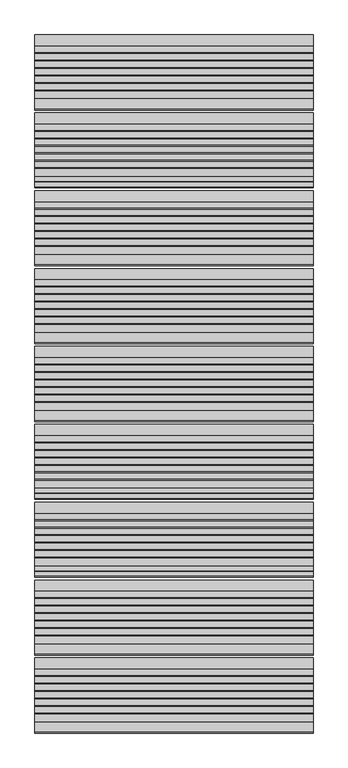
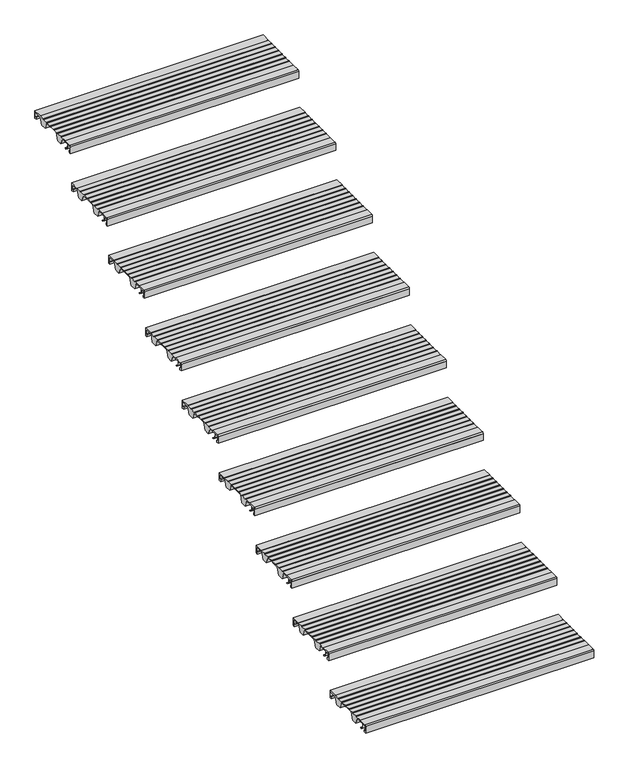
"""IFC4 building model written with IfcOpenShell, lengths in millimetres: stair flight geometry."""

from ifc_helpers import new_model, si_unit, point, frame, frame_2d, origin, place, context, project, spatial, polyline, circle_curve, trimmed, segment, composite_curve, outline, extrude, source, transform, mapped, element, save


def stair_flight_10e2e779(model_context):
    return source(origin(), model_context, "Body", "SweptSolid", [
        extrude(outline(composite_curve([segment(polyline([(-4515.7714581, 4122.0083372), (-4504.0121655, 4112.8608187), (-4500.5625929, 4112.8532161), (-4500.5684453, 4110.197748), (-4504.9259703, 4110.2073517), (-4518.2117943, 4120.5423544), (-4518.8689923, 4140.3419091), (-4535.6889024, 4140.3048394), (-4535.6889024, 4118.9532616), (-4529.7889347, 4118.9662647), (-4529.7889347, 4109.707616), (-4538.9832568, 4109.707616), (-4538.9832568, 4140.5882353)]), True, "CONTINUOUS"), segment(trimmed(circle_curve(frame_2d((-4533.9832568, 4140.5882353)), 5.0), [point((-4538.9832568, 4140.5882353))], [point((-4533.9832568, 4145.5882353))], False, "CARTESIAN"), True, "CONTINUOUS"), segment(polyline([(-4533.9832568, 4145.5882353), (-4499.2747035, 4145.5882353), (-4499.2747035, 4144.2062594), (-4469.2485475, 4144.1400841), (-4469.2485475, 4145.7289212), (-4467.213968, 4145.7289212), (-4467.213968, 4143.7846383), (-4442.3673917, 4143.7846383), (-4442.3673917, 4145.7289212), (-4440.3328122, 4145.7289212), (-4440.3328122, 4143.7846383), (-4415.4862358, 4143.7846383), (-4415.4862358, 4145.7289212), (-4413.4516563, 4145.7289212), (-4413.4516563, 4143.7846383), (-4388.60508, 4143.7846383), (-4388.60508, 4145.7289212), (-4386.5705005, 4145.7289212), (-4386.5705005, 4143.7846383), (-4361.7239241, 4143.7846383), (-4361.7239241, 4145.7289212), (-4359.6893446, 4145.7289212), (-4359.6893446, 4143.7846383), (-4334.852176, 4143.7846383), (-4334.852176, 4145.7289212), (-4332.8175965, 4145.7289212), (-4332.8175965, 4143.7846383), (-4307.9697223, 4143.7846383), (-4307.9697223, 4145.6741584), (-4268.9832568, 4145.5882353), (-4268.9832568, 4109.6873524), (-4278.1775789, 4109.707616), (-4278.1775789, 4118.9662647), (-4272.2776112, 4118.9532616), (-4272.2776112, 4140.3048394), (-4310.4991521, 4140.3890766), (-4321.2246336, 4109.8024883), (-4346.1164136, 4109.8573478), (-4359.1103611, 4141.063068), (-4429.7810763, 4141.2188207), (-4440.7051778, 4110.0658141), (-4465.5969579, 4110.1206736), (-4478.6696565, 4141.5155193), (-4499.2747035, 4141.5609312), (-4499.2747035, 4140.3850934), (-4516.3801784, 4140.3473943), (-4515.7714581, 4122.0083372)]), True, "CONTINUOUS")], self_intersect=False)), frame((-8622.7515248, 0.0, 0.0), z_axis=(1.0, 0.0, 0.0), x_axis=(0.0, 1.0, 0.0)), (0.0, 0.0, 1.0), 1000.0),
        extrude(outline(composite_curve([segment(polyline([(-4235.7714581, 4287.8318666), (-4224.0121655, 4278.6843481), (-4220.5625929, 4278.6767455), (-4220.5684453, 4276.0212774), (-4224.9259703, 4276.0308811), (-4238.2117943, 4286.3658838), (-4238.8689923, 4306.1654385), (-4255.6889024, 4306.1283688), (-4255.6889024, 4284.7767911), (-4249.7889347, 4284.7897941), (-4249.7889347, 4275.5311454), (-4258.9832568, 4275.5311454), (-4258.9832568, 4306.4117647)]), True, "CONTINUOUS"), segment(trimmed(circle_curve(frame_2d((-4253.9832568, 4306.4117647)), 5.0), [point((-4258.9832568, 4306.4117647))], [point((-4253.9832568, 4311.4117647))], False, "CARTESIAN"), True, "CONTINUOUS"), segment(polyline([(-4253.9832568, 4311.4117647), (-4219.2747035, 4311.4117647), (-4219.2747035, 4310.0297889), (-4189.2485475, 4309.9636136), (-4189.2485475, 4311.5524506), (-4187.213968, 4311.5524506), (-4187.213968, 4309.6081677), (-4162.3673917, 4309.6081677), (-4162.3673917, 4311.5524506), (-4160.3328122, 4311.5524506), (-4160.3328122, 4309.6081677), (-4135.4862358, 4309.6081677), (-4135.4862358, 4311.5524506), (-4133.4516563, 4311.5524506), (-4133.4516563, 4309.6081677), (-4108.60508, 4309.6081677), (-4108.60508, 4311.5524506), (-4106.5705005, 4311.5524506), (-4106.5705005, 4309.6081677), (-4081.7239241, 4309.6081677), (-4081.7239241, 4311.5524506), (-4079.6893446, 4311.5524506), (-4079.6893446, 4309.6081677), (-4054.852176, 4309.6081677), (-4054.852176, 4311.5524506), (-4052.8175965, 4311.5524506), (-4052.8175965, 4309.6081677), (-4027.9697223, 4309.6081677), (-4027.9697223, 4311.4976878), (-3988.9832568, 4311.4117647), (-3988.9832568, 4275.5108818), (-3998.1775789, 4275.5311454), (-3998.1775789, 4284.7897941), (-3992.2776112, 4284.7767911), (-3992.2776112, 4306.1283688), (-4030.4991521, 4306.2126061), (-4041.2246336, 4275.6260177), (-4066.1164136, 4275.6808772), (-4079.1103611, 4306.8865974), (-4149.7810763, 4307.0423501), (-4160.7051778, 4275.8893435), (-4185.5969579, 4275.944203), (-4198.6696565, 4307.3390487), (-4219.2747035, 4307.3844606), (-4219.2747035, 4306.2086228), (-4236.3801784, 4306.1709237), (-4235.7714581, 4287.8318666)]), True, "CONTINUOUS")], self_intersect=False)), frame((-8622.7515248, 0.0, 0.0), z_axis=(1.0, 0.0, 0.0), x_axis=(0.0, 1.0, 0.0)), (0.0, 0.0, 1.0), 1000.0),
        extrude(outline(composite_curve([segment(polyline([(-3955.7714581, 4453.655396), (-3944.0121655, 4444.5078775), (-3940.5625929, 4444.5002749), (-3940.5684453, 4441.8448068), (-3944.9259703, 4441.8544105), (-3958.2117943, 4452.1894132), (-3958.8689923, 4471.988968), (-3975.6889024, 4471.9518982), (-3975.6889024, 4450.6003205), (-3969.7889347, 4450.6133235), (-3969.7889347, 4441.3546748), (-3978.9832568, 4441.3546748), (-3978.9832568, 4472.2352941)]), True, "CONTINUOUS"), segment(trimmed(circle_curve(frame_2d((-3973.9832568, 4472.2352941)), 5.0), [point((-3978.9832568, 4472.2352941))], [point((-3973.9832568, 4477.2352941))], False, "CARTESIAN"), True, "CONTINUOUS"), segment(polyline([(-3973.9832568, 4477.2352941), (-3939.2747035, 4477.2352941), (-3939.2747035, 4475.8533183), (-3909.2485475, 4475.787143), (-3909.2485475, 4477.37598), (-3907.213968, 4477.37598), (-3907.213968, 4475.4316971), (-3882.3673917, 4475.4316971), (-3882.3673917, 4477.37598), (-3880.3328122, 4477.37598), (-3880.3328122, 4475.4316971), (-3855.4862358, 4475.4316971), (-3855.4862358, 4477.37598), (-3853.4516563, 4477.37598), (-3853.4516563, 4475.4316971), (-3828.60508, 4475.4316971), (-3828.60508, 4477.37598), (-3826.5705005, 4477.37598), (-3826.5705005, 4475.4316971), (-3801.7239241, 4475.4316971), (-3801.7239241, 4477.37598), (-3799.6893446, 4477.37598), (-3799.6893446, 4475.4316971), (-3774.852176, 4475.4316971), (-3774.852176, 4477.37598), (-3772.8175965, 4477.37598), (-3772.8175965, 4475.4316971), (-3747.9697223, 4475.4316971), (-3747.9697223, 4477.3212172), (-3708.9832568, 4477.2352941), (-3708.9832568, 4441.3344112), (-3718.1775789, 4441.3546748), (-3718.1775789, 4450.6133235), (-3712.2776112, 4450.6003205), (-3712.2776112, 4471.9518982), (-3750.4991521, 4472.0361355), (-3761.2246336, 4441.4495471), (-3786.1164136, 4441.5044067), (-3799.1103611, 4472.7101268), (-3869.7810763, 4472.8658795), (-3880.7051778, 4441.7128729), (-3905.5969579, 4441.7677324), (-3918.6696565, 4473.1625781), (-3939.2747035, 4473.2079901), (-3939.2747035, 4472.0321522), (-3956.3801784, 4471.9944531), (-3955.7714581, 4453.655396)]), True, "CONTINUOUS")], self_intersect=False)), frame((-8622.7515248, 0.0, 0.0), z_axis=(1.0, 0.0, 0.0), x_axis=(0.0, 1.0, 0.0)), (0.0, 0.0, 1.0), 1000.0),
        extrude(outline(composite_curve([segment(polyline([(-3675.7714581, 4619.4789255), (-3664.0121655, 4610.3314069), (-3660.5625929, 4610.3238043), (-3660.5684453, 4607.6683362), (-3664.9259703, 4607.6779399), (-3678.2117943, 4618.0129426), (-3678.8689923, 4637.8124974), (-3695.6889024, 4637.7754276), (-3695.6889024, 4616.4238499), (-3689.7889347, 4616.436853), (-3689.7889347, 4607.1782042), (-3698.9832568, 4607.1782042), (-3698.9832568, 4638.0588235)]), True, "CONTINUOUS"), segment(trimmed(circle_curve(frame_2d((-3693.9832568, 4638.0588235)), 5.0), [point((-3698.9832568, 4638.0588235))], [point((-3693.9832568, 4643.0588235))], False, "CARTESIAN"), True, "CONTINUOUS"), segment(polyline([(-3693.9832568, 4643.0588235), (-3659.2747035, 4643.0588235), (-3659.2747035, 4641.6768477), (-3629.2485475, 4641.6106724), (-3629.2485475, 4643.1995094), (-3627.213968, 4643.1995094), (-3627.213968, 4641.2552265), (-3602.3673917, 4641.2552265), (-3602.3673917, 4643.1995094), (-3600.3328122, 4643.1995094), (-3600.3328122, 4641.2552265), (-3575.4862358, 4641.2552265), (-3575.4862358, 4643.1995094), (-3573.4516563, 4643.1995094), (-3573.4516563, 4641.2552265), (-3548.60508, 4641.2552265), (-3548.60508, 4643.1995094), (-3546.5705005, 4643.1995094), (-3546.5705005, 4641.2552265), (-3521.7239241, 4641.2552265), (-3521.7239241, 4643.1995094), (-3519.6893446, 4643.1995094), (-3519.6893446, 4641.2552265), (-3494.852176, 4641.2552265), (-3494.852176, 4643.1995094), (-3492.8175965, 4643.1995094), (-3492.8175965, 4641.2552265), (-3467.9697223, 4641.2552265), (-3467.9697223, 4643.1447466), (-3428.9832568, 4643.0588235), (-3428.9832568, 4607.1579406), (-3438.1775789, 4607.1782042), (-3438.1775789, 4616.436853), (-3432.2776112, 4616.4238499), (-3432.2776112, 4637.7754276), (-3470.4991521, 4637.8596649), (-3481.2246336, 4607.2730765), (-3506.1164136, 4607.3279361), (-3519.1103611, 4638.5336562), (-3589.7810763, 4638.6894089), (-3600.7051778, 4607.5364023), (-3625.5969579, 4607.5912618), (-3638.6696565, 4638.9861076), (-3659.2747035, 4639.0315195), (-3659.2747035, 4637.8556816), (-3676.3801784, 4637.8179825), (-3675.7714581, 4619.4789255)]), True, "CONTINUOUS")], self_intersect=False)), frame((-8622.7515248, 0.0, 0.0), z_axis=(1.0, 0.0, 0.0), x_axis=(0.0, 1.0, 0.0)), (0.0, 0.0, 1.0), 1000.0),
        extrude(outline(composite_curve([segment(polyline([(-3395.7714581, 4785.3024549), (-3384.0121655, 4776.1549363), (-3380.5625929, 4776.1473337), (-3380.5684453, 4773.4918657), (-3384.9259703, 4773.5014693), (-3398.2117943, 4783.836472), (-3398.8689923, 4803.6360268), (-3415.6889024, 4803.598957), (-3415.6889024, 4782.2473793), (-3409.7889347, 4782.2603824), (-3409.7889347, 4773.0017336), (-3418.9832568, 4773.0017336), (-3418.9832568, 4803.8823529)]), True, "CONTINUOUS"), segment(trimmed(circle_curve(frame_2d((-3413.9832568, 4803.8823529)), 5.0), [point((-3418.9832568, 4803.8823529))], [point((-3413.9832568, 4808.8823529))], False, "CARTESIAN"), True, "CONTINUOUS"), segment(polyline([(-3413.9832568, 4808.8823529), (-3379.2747035, 4808.8823529), (-3379.2747035, 4807.5003771), (-3349.2485475, 4807.4342018), (-3349.2485475, 4809.0230388), (-3347.213968, 4809.0230388), (-3347.213968, 4807.0787559), (-3322.3673917, 4807.0787559), (-3322.3673917, 4809.0230388), (-3320.3328122, 4809.0230388), (-3320.3328122, 4807.0787559), (-3295.4862358, 4807.0787559), (-3295.4862358, 4809.0230388), (-3293.4516563, 4809.0230388), (-3293.4516563, 4807.0787559), (-3268.60508, 4807.0787559), (-3268.60508, 4809.0230388), (-3266.5705005, 4809.0230388), (-3266.5705005, 4807.0787559), (-3241.7239241, 4807.0787559), (-3241.7239241, 4809.0230388), (-3239.6893446, 4809.0230388), (-3239.6893446, 4807.0787559), (-3214.852176, 4807.0787559), (-3214.852176, 4809.0230388), (-3212.8175965, 4809.0230388), (-3212.8175965, 4807.0787559), (-3187.9697223, 4807.0787559), (-3187.9697223, 4808.9682761), (-3148.9832568, 4808.8823529), (-3148.9832568, 4772.9814701), (-3158.1775789, 4773.0017336), (-3158.1775789, 4782.2603824), (-3152.2776112, 4782.2473793), (-3152.2776112, 4803.598957), (-3190.4991521, 4803.6831943), (-3201.2246336, 4773.096606), (-3226.1164136, 4773.1514655), (-3239.1103611, 4804.3571856), (-3309.7810763, 4804.5129384), (-3320.7051778, 4773.3599317), (-3345.5969579, 4773.4147912), (-3358.6696565, 4804.809637), (-3379.2747035, 4804.8550489), (-3379.2747035, 4803.6792111), (-3396.3801784, 4803.6415119), (-3395.7714581, 4785.3024549)]), True, "CONTINUOUS")], self_intersect=False)), frame((-8622.7515248, 0.0, 0.0), z_axis=(1.0, 0.0, 0.0), x_axis=(0.0, 1.0, 0.0)), (0.0, 0.0, 1.0), 1000.0),
        extrude(outline(composite_curve([segment(polyline([(-3115.7714581, 4951.1259843), (-3104.0121655, 4941.9784657), (-3100.5625929, 4941.9708632), (-3100.5684453, 4939.3153951), (-3104.9259703, 4939.3249987), (-3118.2117943, 4949.6600014), (-3118.8689923, 4969.4595562), (-3135.6889024, 4969.4224864), (-3135.6889024, 4948.0709087), (-3129.7889347, 4948.0839118), (-3129.7889347, 4938.825263), (-3138.9832568, 4938.825263), (-3138.9832568, 4969.7058824)]), True, "CONTINUOUS"), segment(trimmed(circle_curve(frame_2d((-3133.9832568, 4969.7058824)), 5.0), [point((-3138.9832568, 4969.7058824))], [point((-3133.9832568, 4974.7058824))], False, "CARTESIAN"), True, "CONTINUOUS"), segment(polyline([(-3133.9832568, 4974.7058824), (-3099.2747035, 4974.7058824), (-3099.2747035, 4973.3239065), (-3069.2485475, 4973.2577312), (-3069.2485475, 4974.8465682), (-3067.213968, 4974.8465682), (-3067.213968, 4972.9022853), (-3042.3673917, 4972.9022853), (-3042.3673917, 4974.8465682), (-3040.3328122, 4974.8465682), (-3040.3328122, 4972.9022853), (-3015.4862358, 4972.9022853), (-3015.4862358, 4974.8465682), (-3013.4516563, 4974.8465682), (-3013.4516563, 4972.9022853), (-2988.60508, 4972.9022853), (-2988.60508, 4974.8465682), (-2986.5705005, 4974.8465682), (-2986.5705005, 4972.9022853), (-2961.7239241, 4972.9022853), (-2961.7239241, 4974.8465682), (-2959.6893446, 4974.8465682), (-2959.6893446, 4972.9022853), (-2934.852176, 4972.9022853), (-2934.852176, 4974.8465682), (-2932.8175965, 4974.8465682), (-2932.8175965, 4972.9022853), (-2907.9697223, 4972.9022853), (-2907.9697223, 4974.7918055), (-2868.9832568, 4974.7058824), (-2868.9832568, 4938.8049995), (-2878.1775789, 4938.825263), (-2878.1775789, 4948.0839118), (-2872.2776112, 4948.0709087), (-2872.2776112, 4969.4224864), (-2910.4991521, 4969.5067237), (-2921.2246336, 4938.9201354), (-2946.1164136, 4938.9749949), (-2959.1103611, 4970.180715), (-3029.7810763, 4970.3364678), (-3040.7051778, 4939.1834611), (-3065.5969579, 4939.2383207), (-3078.6696565, 4970.6331664), (-3099.2747035, 4970.6785783), (-3099.2747035, 4969.5027405), (-3116.3801784, 4969.4650413), (-3115.7714581, 4951.1259843)]), True, "CONTINUOUS")], self_intersect=False)), frame((-8622.7515248, 0.0, 0.0), z_axis=(1.0, 0.0, 0.0), x_axis=(0.0, 1.0, 0.0)), (0.0, 0.0, 1.0), 1000.0),
        extrude(outline(composite_curve([segment(polyline([(-2835.7714581, 5116.9495137), (-2824.0121655, 5107.8019951), (-2820.5625929, 5107.7943926), (-2820.5684453, 5105.1389245), (-2824.9259703, 5105.1485281), (-2838.2117943, 5115.4835308), (-2838.8689923, 5135.2830856), (-2855.6889024, 5135.2460158), (-2855.6889024, 5113.8944381), (-2849.7889347, 5113.9074412), (-2849.7889347, 5104.6487924), (-2858.9832568, 5104.6487924), (-2858.9832568, 5135.5294118)]), True, "CONTINUOUS"), segment(trimmed(circle_curve(frame_2d((-2853.9832568, 5135.5294118)), 5.0), [point((-2858.9832568, 5135.5294118))], [point((-2853.9832568, 5140.5294118))], False, "CARTESIAN"), True, "CONTINUOUS"), segment(polyline([(-2853.9832568, 5140.5294118), (-2819.2747035, 5140.5294118), (-2819.2747035, 5139.1474359), (-2789.2485475, 5139.0812606), (-2789.2485475, 5140.6700976), (-2787.213968, 5140.6700976), (-2787.213968, 5138.7258147), (-2762.3673917, 5138.7258147), (-2762.3673917, 5140.6700976), (-2760.3328122, 5140.6700976), (-2760.3328122, 5138.7258147), (-2735.4862358, 5138.7258147), (-2735.4862358, 5140.6700976), (-2733.4516563, 5140.6700976), (-2733.4516563, 5138.7258147), (-2708.60508, 5138.7258147), (-2708.60508, 5140.6700976), (-2706.5705005, 5140.6700976), (-2706.5705005, 5138.7258147), (-2681.7239241, 5138.7258147), (-2681.7239241, 5140.6700976), (-2679.6893446, 5140.6700976), (-2679.6893446, 5138.7258147), (-2654.852176, 5138.7258147), (-2654.852176, 5140.6700976), (-2652.8175965, 5140.6700976), (-2652.8175965, 5138.7258147), (-2627.9697223, 5138.7258147), (-2627.9697223, 5140.6153349), (-2588.9832568, 5140.5294118), (-2588.9832568, 5104.6285289), (-2598.1775789, 5104.6487924), (-2598.1775789, 5113.9074412), (-2592.2776112, 5113.8944381), (-2592.2776112, 5135.2460158), (-2630.4991521, 5135.3302531), (-2641.2246336, 5104.7436648), (-2666.1164136, 5104.7985243), (-2679.1103611, 5136.0042445), (-2749.7810763, 5136.1599972), (-2760.7051778, 5105.0069905), (-2785.5969579, 5105.0618501), (-2798.6696565, 5136.4566958), (-2819.2747035, 5136.5021077), (-2819.2747035, 5135.3262699), (-2836.3801784, 5135.2885708), (-2835.7714581, 5116.9495137)]), True, "CONTINUOUS")], self_intersect=False)), frame((-8622.7515248, 0.0, 0.0), z_axis=(1.0, 0.0, 0.0), x_axis=(0.0, 1.0, 0.0)), (0.0, 0.0, 1.0), 1000.0),
        extrude(outline(composite_curve([segment(polyline([(-2555.7714581, 5282.7730431), (-2544.0121655, 5273.6255246), (-2540.5625929, 5273.617922), (-2540.5684453, 5270.9624539), (-2544.9259703, 5270.9720575), (-2558.2117943, 5281.3070603), (-2558.8689923, 5301.106615), (-2575.6889024, 5301.0695452), (-2575.6889024, 5279.7179675), (-2569.7889347, 5279.7309706), (-2569.7889347, 5270.4723219), (-2578.9832568, 5270.4723219), (-2578.9832568, 5301.3529412)]), True, "CONTINUOUS"), segment(trimmed(circle_curve(frame_2d((-2573.9832568, 5301.3529412)), 5.0), [point((-2578.9832568, 5301.3529412))], [point((-2573.9832568, 5306.3529412))], False, "CARTESIAN"), True, "CONTINUOUS"), segment(polyline([(-2573.9832568, 5306.3529412), (-2539.2747035, 5306.3529412), (-2539.2747035, 5304.9709653), (-2509.2485475, 5304.90479), (-2509.2485475, 5306.4936271), (-2507.213968, 5306.4936271), (-2507.213968, 5304.5493441), (-2482.3673917, 5304.5493441), (-2482.3673917, 5306.4936271), (-2480.3328122, 5306.4936271), (-2480.3328122, 5304.5493441), (-2455.4862358, 5304.5493441), (-2455.4862358, 5306.4936271), (-2453.4516563, 5306.4936271), (-2453.4516563, 5304.5493441), (-2428.60508, 5304.5493441), (-2428.60508, 5306.4936271), (-2426.5705005, 5306.4936271), (-2426.5705005, 5304.5493441), (-2401.7239241, 5304.5493441), (-2401.7239241, 5306.4936271), (-2399.6893446, 5306.4936271), (-2399.6893446, 5304.5493441), (-2374.852176, 5304.5493441), (-2374.852176, 5306.4936271), (-2372.8175965, 5306.4936271), (-2372.8175965, 5304.5493441), (-2347.9697223, 5304.5493441), (-2347.9697223, 5306.4388643), (-2308.9832568, 5306.3529412), (-2308.9832568, 5270.4520583), (-2318.1775789, 5270.4723219), (-2318.1775789, 5279.7309706), (-2312.2776112, 5279.7179675), (-2312.2776112, 5301.0695452), (-2350.4991521, 5301.1537825), (-2361.2246336, 5270.5671942), (-2386.1164136, 5270.6220537), (-2399.1103611, 5301.8277739), (-2469.7810763, 5301.9835266), (-2480.7051778, 5270.8305199), (-2505.5969579, 5270.8853795), (-2518.6696565, 5302.2802252), (-2539.2747035, 5302.3256371), (-2539.2747035, 5301.1497993), (-2556.3801784, 5301.1121002), (-2555.7714581, 5282.7730431)]), True, "CONTINUOUS")], self_intersect=False)), frame((-8622.7515248, 0.0, 0.0), z_axis=(1.0, 0.0, 0.0), x_axis=(0.0, 1.0, 0.0)), (0.0, 0.0, 1.0), 1000.0),
        extrude(outline(composite_curve([segment(polyline([(-2275.7714581, 5448.5965725), (-2264.0121655, 5439.449054), (-2260.5625929, 5439.4414514), (-2260.5684453, 5436.7859833), (-2264.9259703, 5436.7955869), (-2278.2117943, 5447.1305897), (-2278.8689923, 5466.9301444), (-2295.6889024, 5466.8930747), (-2295.6889024, 5445.5414969), (-2289.7889347, 5445.5545), (-2289.7889347, 5436.2958513), (-2298.9832568, 5436.2958513), (-2298.9832568, 5467.1764706)]), True, "CONTINUOUS"), segment(trimmed(circle_curve(frame_2d((-2293.9832568, 5467.1764706)), 5.0), [point((-2298.9832568, 5467.1764706))], [point((-2293.9832568, 5472.1764706))], False, "CARTESIAN"), True, "CONTINUOUS"), segment(polyline([(-2293.9832568, 5472.1764706), (-2259.2747035, 5472.1764706), (-2259.2747035, 5470.7944947), (-2229.2485475, 5470.7283194), (-2229.2485475, 5472.3171565), (-2227.213968, 5472.3171565), (-2227.213968, 5470.3728736), (-2202.3673917, 5470.3728736), (-2202.3673917, 5472.3171565), (-2200.3328122, 5472.3171565), (-2200.3328122, 5470.3728736), (-2175.4862358, 5470.3728736), (-2175.4862358, 5472.3171565), (-2173.4516563, 5472.3171565), (-2173.4516563, 5470.3728736), (-2148.60508, 5470.3728736), (-2148.60508, 5472.3171565), (-2146.5705005, 5472.3171565), (-2146.5705005, 5470.3728736), (-2121.7239241, 5470.3728736), (-2121.7239241, 5472.3171565), (-2119.6893446, 5472.3171565), (-2119.6893446, 5470.3728736), (-2094.852176, 5470.3728736), (-2094.852176, 5472.3171565), (-2092.8175965, 5472.3171565), (-2092.8175965, 5470.3728736), (-2067.9697223, 5470.3728736), (-2067.9697223, 5472.2623937), (-2028.9832568, 5472.1764706), (-2028.9832568, 5436.2755877), (-2038.1775789, 5436.2958513), (-2038.1775789, 5445.5545), (-2032.2776112, 5445.5414969), (-2032.2776112, 5466.8930747), (-2070.4991521, 5466.9773119), (-2081.2246336, 5436.3907236), (-2106.1164136, 5436.4455831), (-2119.1103611, 5467.6513033), (-2189.7810763, 5467.807056), (-2200.7051778, 5436.6540494), (-2225.5969579, 5436.7089089), (-2238.6696565, 5468.1037546), (-2259.2747035, 5468.1491665), (-2259.2747035, 5466.9733287), (-2276.3801784, 5466.9356296), (-2275.7714581, 5448.5965725)]), True, "CONTINUOUS")], self_intersect=False)), frame((-8622.7515248, 0.0, 0.0), z_axis=(1.0, 0.0, 0.0), x_axis=(0.0, 1.0, 0.0)), (0.0, 0.0, 1.0), 1000.0),
    ])


if __name__ == "__main__":
    model = new_model("IFC4")
    model_context = context("Model", 3, world=origin())
    ifc_project = project(units=[si_unit("LENGTHUNIT", "METRE", prefix="MILLI")], contexts=[model_context])
    site = spatial("IfcSite", under=ifc_project)
    building = spatial("IfcBuilding", under=site)
    placement = place(None, origin())
    stair_flight_shape = stair_flight_10e2e779(model_context)
    element("IfcStairFlight", 1, at=placement, inside=building, context=model_context, shape_type="MappedRepresentation", body=[
        mapped(stair_flight_shape, transform((0.0, 0.0, 0.0), x_axis=(1.0, 0.0, 0.0), y_axis=(0.0, 1.0, 0.0), z_axis=(0.0, 0.0, 1.0))),
    ])
    save(model, "model.ifc")
